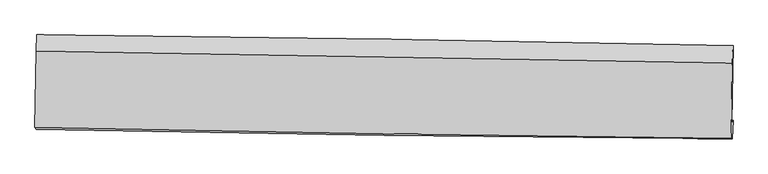
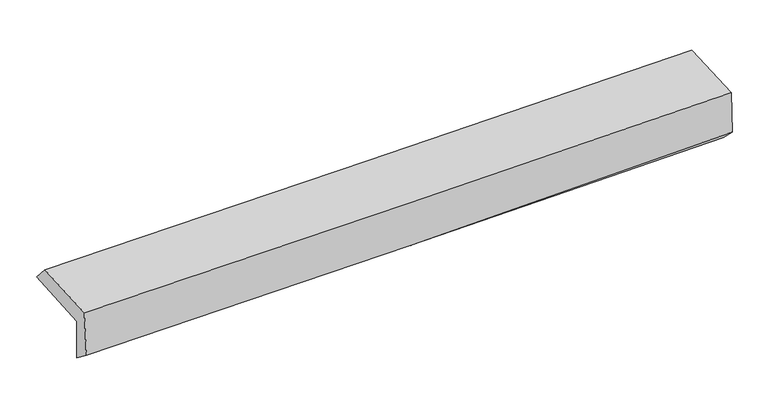
"""IFC4 building model written with IfcOpenShell, lengths in millimetres: proxy geometry."""

from ifc_helpers import new_model, si_unit, frame, origin, place, context, project, spatial, source, transform, mapped, element, save
from ifc_brep_helpers import plane_surface, spline_curve, spline_surface, advanced_brep


def generic_models_6187f6a1(model_context):
    return source(origin(), model_context, "Body", "AdvancedBrep", [
        advanced_brep(
        [(-3029.7148702, -1763.1572554, 1936.0223214), (-3019.9448685, -1088.6235999, 1966.61773), (3017.7514774, -1180.7852332, 2106.4257612), (3007.5455332, -1851.03376, 2095.5023917), (-3019.6840065, -1742.9836678, 1556.0472313), (3018.2488692, -1831.1969843, 1689.0200839), (-3025.5838837, -1910.6573119, 1684.2074614), (3011.6027024, -1994.9589545, 1848.7618707), (-3036.0271082, -1894.5198355, 2102.5272376), (3001.6260034, -1990.4583269, 2241.7153542), (-3026.27229, -1232.0651336, 2126.3260231), (3011.3147094, -1332.493335, 2265.3528462)],
        [
            (0, 1),
            (1, 2, spline_curve(3, [(-3019.9448685, -1088.6235999, 1966.61773), (-2013.466189693, -1097.338098016, 1986.17023054), (-1007.083559412, -1109.375525605, 2007.597201869), (1005.481887969, -1140.096121002, 2054.199907441), (2011.664706032, -1158.779238077, 2079.375613321), (3017.7514774, -1180.7852332, 2106.4257612)], [4, 2, 4], [0.0, 9.908258660863956, 19.816441338925525])),
            (2, 3),
            (3, 0, spline_curve(3, [(3007.5455332, -1851.03376, 2095.5023917), (2001.547065207, -1840.122745713, 2058.210174212), (995.444727135, -1827.344231728, 2026.274089777), (-1016.975405621, -1798.052091956, 1973.11398439), (-2023.293202192, -1781.538437932, 1951.890045242), (-3029.7148702, -1763.1572554, 1936.0223214)], [4, 2, 4], [0.0, 9.90818267806157, 19.816441338925525])),
            (4, 0),
            (3, 5),
            (5, 4, spline_curve(3, [(3018.2488692, -1831.1969843, 1689.0200839), (2012.336520716, -1808.807813163, 1655.382513907), (1006.221203517, -1790.262131416, 1627.482678055), (-1006.423085462, -1760.857633837, 1583.158305991), (-2012.952059919, -1749.998876504, 1566.733857515), (-3019.6840065, -1742.9836678, 1556.0472313)], [4, 2, 4], [0.0, 9.908267672100047, 19.81661132765427])),
            (6, 4),
            (5, 7),
            (7, 6, spline_curve(3, [(3011.6027024, -1994.9589545, 1848.7618707), (2005.429784599, -1988.669566468, 1815.464859562), (999.246372418, -1978.499777585, 1785.103527791), (-1013.149155809, -1950.399289469, 1730.25201309), (-2019.361272782, -1932.468530949, 1705.761875021), (-3025.5838837, -1910.6573119, 1684.2074614)], [4, 2, 4], [0.0, 9.90820345464296, 19.816482892247635])),
            (8, 6),
            (7, 9),
            (9, 8, spline_curve(3, [(3001.6260034, -1990.4583269, 2241.7153542), (1995.385998638, -1978.607306043, 2214.445048795), (989.130166303, -1964.686960251, 2189.210922808), (-1023.420870691, -1932.707494529, 2142.814852694), (-2029.716075395, -1914.648343479, 2121.652939702), (-3036.0271082, -1894.5198355, 2102.5272376)], [4, 2, 4], [0.0, 9.908188564834896, 19.816453112517323])),
            (10, 8),
            (9, 11),
            (11, 10, spline_curve(3, [(3011.3147094, -1332.493335, 2265.3528462), (2005.132969856, -1316.685497674, 2238.224689875), (998.911779531, -1300.412596035, 2213.075080156), (-1013.617219634, -1266.936535807, 2166.732775152), (-2019.925029115, -1249.733370571, 2145.540110718), (-3026.27229, -1232.0651336, 2126.3260231)], [4, 2, 4], [0.0, 9.908164464209477, 19.816404911081662])),
            (1, 10),
            (11, 2),
        ],
        [
            spline_surface(3, 3, [[(-3029.7148702, -1763.1572554, 1936.0223214), (-2023.293202048, -1781.538437885, 1951.890045119), (-1016.975405669, -1798.052092069, 1973.113984282), (995.444727183, -1827.344231615, 2026.274089884), (2001.547065313, -1840.122745654, 2058.210174116), (3007.5455332, -1851.03376, 2095.5023917)], [(-3026.458202981, -1538.312703567, 1946.220790961), (-2020.017531279, -1553.471657973, 1963.316773572), (-1013.678123552, -1568.493236561, 1984.608390104), (998.790447403, -1598.26152805, 2035.582695775), (2004.919612248, -1613.008243095, 2065.265320508), (3010.947514607, -1627.617584392, 2099.143514869)], [(-3023.201535719, -1313.468151733, 1956.419260439), (-2016.741860467, -1325.404878059, 1974.743501944), (-1010.380841418, -1338.934381124, 1996.102795928), (1002.13616764, -1369.178824557, 2044.891301669), (2008.292159161, -1385.893740559, 2072.320466894), (3014.349495993, -1404.201408808, 2102.784638031)], [(-3019.9448685, -1088.6235999, 1966.61773), (-2013.466189697, -1097.338098148, 1986.170230397), (-1007.083559302, -1109.375525615, 2007.59720175), (1005.481887859, -1140.096120992, 2054.19990756), (2011.664706096, -1158.779237999, 2079.375613286), (3017.7514774, -1180.7852332, 2106.4257612)]], [4, 4], [4, 2, 4], [0.0, 2.2596514190821173], [0.0, 9.908258660863956, 19.816441338925525]),
            spline_surface(3, 3, [[(-3019.6840065, -1742.9836678, 1556.0472313), (-2012.952060068, -1749.998876639, 1566.73385737), (-1006.423085361, -1760.857633732, 1583.158305923), (1006.221203416, -1790.262131521, 1627.482678123), (2012.336520629, -1808.807813249, 1655.382513775), (3018.2488692, -1831.1969843, 1689.0200839)], [(-3023.027627719, -1749.708197, 1682.705594653), (-2016.39910738, -1760.512063721, 1695.119253273), (-1009.940525453, -1773.255786533, 1713.14353204), (1002.629044683, -1802.622831574, 1760.413148708), (2008.740035526, -1819.246124033, 1789.658400563), (3014.681090536, -1837.809242849, 1824.514186508)], [(-3026.371248981, -1756.4327262, 1809.363958047), (-2019.846154735, -1771.025250803, 1823.504649217), (-1013.457965577, -1785.653939269, 1843.128758165), (999.036885917, -1814.983531562, 1893.343619299), (2005.143550416, -1829.68443487, 1923.934287328), (3011.113311864, -1844.421501451, 1960.008289092)], [(-3029.7148702, -1763.1572554, 1936.0223214), (-2023.293202048, -1781.538437885, 1951.890045119), (-1016.975405669, -1798.052092069, 1973.113984282), (995.444727183, -1827.344231615, 2026.274089884), (2001.547065313, -1840.122745654, 2058.210174116), (3007.5455332, -1851.03376, 2095.5023917)]], [4, 4], [4, 2, 4], [0.0, 1.3000716604445364], [0.0, 9.908343655554225, 19.81661132765427]),
            spline_surface(3, 3, [[(-3025.5838837, -1910.6573119, 1684.2074614), (-2019.361272678, -1932.468530998, 1705.761874946), (-1013.149155973, -1950.399289513, 1730.25201304), (999.246372582, -1978.49977754, 1785.103527841), (2005.429784546, -1988.669566541, 1815.464859496), (3011.6027024, -1994.9589545, 1848.7618707)], [(-3023.617257957, -1854.766097199, 1641.487384698), (-2017.224868465, -1871.645312877, 1659.419202419), (-1010.907132427, -1887.21873758, 1681.220777353), (1001.571316202, -1915.753895527, 1732.56324462), (2007.732029891, -1928.715648773, 1762.104077576), (3013.818091317, -1940.371631096, 1795.51460842)], [(-3021.650632243, -1798.874882501, 1598.767308002), (-2015.08846428, -1810.82209476, 1613.076529898), (-1008.665108907, -1824.038185666, 1632.18954161), (1003.896259796, -1853.008013534, 1680.022961344), (2010.034275284, -1868.761731016, 1708.743295696), (3016.033480283, -1885.784307704, 1742.26734618)], [(-3019.6840065, -1742.9836678, 1556.0472313), (-2012.952060068, -1749.998876639, 1566.73385737), (-1006.423085361, -1760.857633732, 1583.158305923), (1006.221203416, -1790.262131521, 1627.482678123), (2012.336520629, -1808.807813249, 1655.382513775), (3018.2488692, -1831.1969843, 1689.0200839)]], [4, 4], [4, 2, 4], [0.0, 0.7965008926531923], [0.0, 9.908279437604675, 19.816482892247635]),
            spline_surface(3, 3, [[(-3036.0271082, -1894.5198355, 2102.5272376), (-2029.716075446, -1914.648343616, 2121.652939694), (-1023.420870667, -1932.707494684, 2142.814852704), (989.13016628, -1964.686960096, 2189.210922798), (1995.385998721, -1978.607306128, 2214.44504866), (3001.6260034, -1990.4583269, 2241.7153542)], [(-3032.546033376, -1899.898994316, 1963.08731221), (-2026.264474532, -1920.588406093, 1983.022584788), (-1019.996965791, -1938.604759636, 2005.293906135), (992.502235025, -1969.291232586, 2054.508457798), (1998.733927346, -1981.96139294, 2081.451652295), (3004.95156975, -1991.958536108, 2110.730859722)], [(-3029.064958524, -1905.278153084, 1823.64738679), (-2022.812873591, -1926.528468521, 1844.392229852), (-1016.573060849, -1944.502024561, 1867.772959609), (995.874303837, -1973.895505049, 1919.805992841), (2002.081855921, -1985.315479728, 1948.458255862), (3008.27713605, -1993.458745292, 1979.746365178)], [(-3025.5838837, -1910.6573119, 1684.2074614), (-2019.361272678, -1932.468530998, 1705.761874946), (-1013.149155973, -1950.399289513, 1730.25201304), (999.246372582, -1978.49977754, 1785.103527841), (2005.429784546, -1988.669566541, 1815.464859496), (3011.6027024, -1994.9589545, 1848.7618707)]], [4, 4], [4, 2, 4], [0.0, 1.3410958175609489], [0.0, 9.908264547682426, 19.816453112517323]),
            spline_surface(3, 3, [[(-3026.27229, -1232.0651336, 2126.3260231), (-2019.92502911, -1249.733370437, 2145.540110812), (-1013.617219652, -1266.936535907, 2166.732775302), (998.911779549, -1300.412595935, 2213.075080007), (2005.132969878, -1316.685497542, 2238.224689899), (3011.3147094, -1332.493335, 2265.3528462)], [(-3029.523896066, -1452.88336757, 2118.393094582), (-2023.188711221, -1471.371694833, 2137.577720422), (-1016.8851033, -1488.86018882, 2158.760134441), (995.651241816, -1521.837383976, 2205.120360942), (2001.883979477, -1537.326100396, 2230.298142806), (3008.085140717, -1551.814998959, 2257.473682187)], [(-3032.775502134, -1673.70160153, 2110.460166118), (-2026.452393335, -1693.01001922, 2129.615330084), (-1020.152987019, -1710.783841771, 2150.787493565), (992.390704013, -1743.262172055, 2197.165641862), (1998.634989123, -1757.966703274, 2222.371595753), (3004.855572083, -1771.136662941, 2249.594518213)], [(-3036.0271082, -1894.5198355, 2102.5272376), (-2029.716075446, -1914.648343616, 2121.652939694), (-1023.420870667, -1932.707494684, 2142.814852704), (989.13016628, -1964.686960096, 2189.210922798), (1995.385998721, -1978.607306128, 2214.44504866), (3001.6260034, -1990.4583269, 2241.7153542)]], [4, 4], [4, 2, 4], [0.0, 2.183476780055634], [0.0, 9.908240446872185, 19.816404911081662]),
            spline_surface(3, 3, [[(-3019.9448685, -1088.6235999, 1966.61773), (-2013.466189697, -1097.338098148, 1986.170230397), (-1007.083559302, -1109.375525615, 2007.59720175), (1005.481887859, -1140.096120992, 2054.19990756), (2011.664706096, -1158.779237999, 2079.375613286), (3017.7514774, -1180.7852332, 2106.4257612)], [(-3022.054009, -1136.437444447, 2019.853827696), (-2015.619136169, -1148.136522225, 2039.293523865), (-1009.2614461, -1161.895862391, 2060.642392928), (1003.291851741, -1193.534945986, 2107.15829837), (2009.487460695, -1211.414657876, 2132.325305484), (3015.605888072, -1231.354600496, 2159.401456194)], [(-3024.1631495, -1184.251289053, 2073.089925404), (-2017.772082639, -1198.93494636, 2092.416817345), (-1011.439332854, -1214.41619913, 2113.687584123), (1001.101815667, -1246.973770942, 2160.116689197), (2007.310215279, -1264.050077666, 2185.2749977), (3013.460298728, -1281.923967704, 2212.377151206)], [(-3026.27229, -1232.0651336, 2126.3260231), (-2019.92502911, -1249.733370437, 2145.540110812), (-1013.617219652, -1266.936535907, 2166.732775302), (998.911779549, -1300.412595935, 2213.075080007), (2005.132969878, -1316.685497542, 2238.224689899), (3011.3147094, -1332.493335, 2265.3528462)]], [4, 4], [4, 2, 4], [0.0, 0.7379130185555581], [0.0, 9.90823844612879, 19.816400909610213]),
            plane_surface(frame((3011.3482158, -1696.821099, 2041.129718), z_axis=(0.9995510722704489, -0.015636778574090016, 0.025556703207195174), x_axis=(0.025379165360529882, -0.011448894282030747, -0.9996123352506819))),
            plane_surface(frame((-3026.2045045, -1605.3344673, 1895.2913341), z_axis=(-0.9995510722704474, 0.015636778573813168, -0.025556703207430836), x_axis=(-0.014467692555059464, -0.9988683613704064, -0.045306539542671435))),
        ],
        [
            (0, [[1, 2, 3, 4]]),
            (1, [[5, -4, 6, 7]]),
            (2, [[8, -7, 9, 10]]),
            (3, [[11, -10, 12, 13]]),
            (4, [[14, -13, 15, 16]]),
            (5, [[17, -16, 18, -2]]),
            (6, [[-12, -9, -6, -3, -18, -15]]),
            (7, [[-1, -5, -8, -11, -14, -17]]),
        ],
    ),
    ])


if __name__ == "__main__":
    model = new_model("IFC4")
    model_context = context("Model", 3, world=origin())
    ifc_project = project(units=[si_unit("LENGTHUNIT", "METRE", prefix="MILLI")], contexts=[model_context])
    site = spatial("IfcSite", under=ifc_project)
    building = spatial("IfcBuilding", under=site)
    placement = place(None, origin())
    generic_models_shape = generic_models_6187f6a1(model_context)
    element("IfcBuildingElementProxy", 1, Name="Generic Models", at=placement, inside=building, context=model_context, shape_type="MappedRepresentation", body=[
        mapped(generic_models_shape, transform((0.0, 0.0, 0.0), x_axis=(1.0, 0.0, 0.0), y_axis=(0.0, 1.0, 0.0), z_axis=(0.0, 0.0, 1.0))),
    ])
    save(model, "model.ifc")
